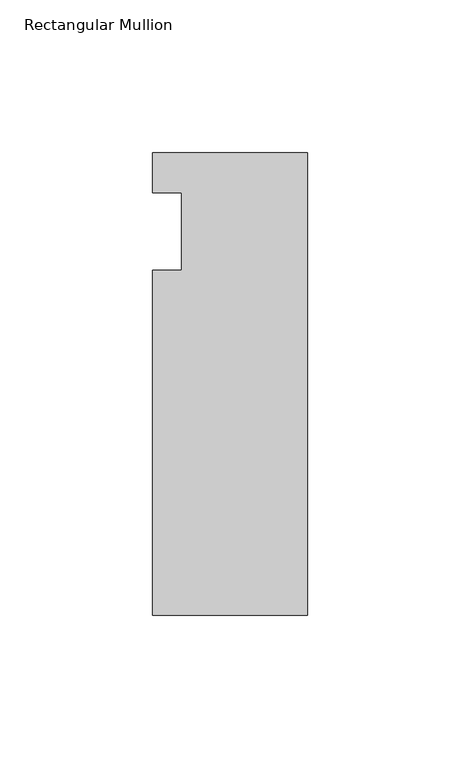
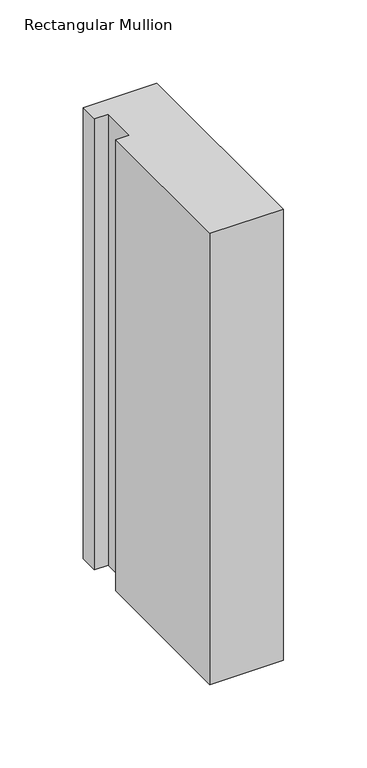
"""IFC4 building model written with IfcOpenShell, lengths in millimetres: member geometry, Rectangular Mullion."""

from ifc_helpers import new_model, si_unit, frame, origin, place, context, project, spatial, polyline, outline, extrude, source, transform, mapped, element, save


def rectangular_mullion_e5495cac(model_context):
    return source(origin(), model_context, "Body", "SweptSolid", [
        extrude(outline(polyline([(-50.8, 25.7961253), (0.0, 25.7961253), (0.0, -125.8036906), (-50.8, -125.8036906), (-50.8, -12.7), (-41.275, -12.7), (-41.275, 12.7), (-50.8, 12.7), (-50.8, 25.7961253)])), frame((0.0, 0.0, -330.2), z_axis=(0.0, 0.0, 1.0), x_axis=(1.0, 0.0, 0.0)), (0.0, 0.0, 1.0), 330.2),
    ])


if __name__ == "__main__":
    model = new_model("IFC4")
    model_context = context("Model", 3, world=origin())
    ifc_project = project(units=[si_unit("LENGTHUNIT", "METRE", prefix="MILLI")], contexts=[model_context])
    site = spatial("IfcSite", under=ifc_project)
    building = spatial("IfcBuilding", under=site)
    placement = place(None, origin())
    rectangular_mullion_shape = rectangular_mullion_e5495cac(model_context)
    element("IfcMember", 1, ObjectType="Rectangular Mullion", at=placement, inside=building, context=model_context, shape_type="MappedRepresentation", body=[
        mapped(rectangular_mullion_shape, transform((0.0, 0.0, 0.0), x_axis=(1.0, 0.0, 0.0), y_axis=(0.0, 1.0, 0.0), z_axis=(0.0, 0.0, 1.0))),
    ])
    save(model, "model.ifc")
